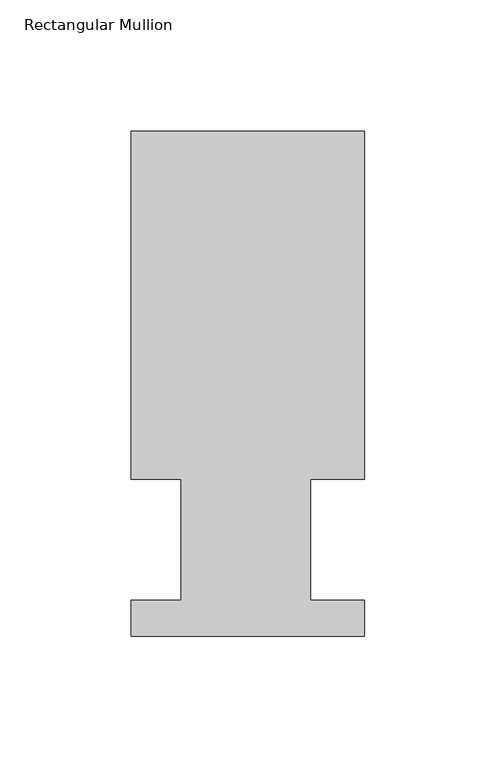
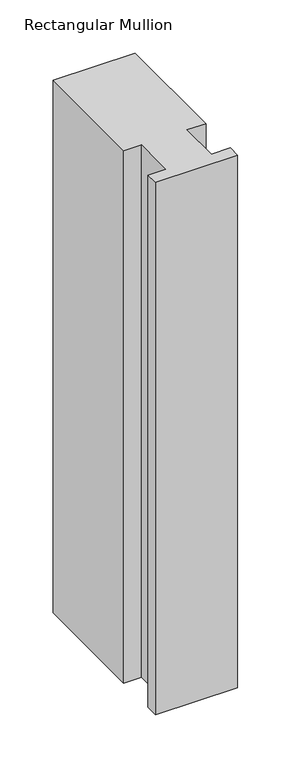
"""IFC4 building model written with IfcOpenShell, lengths in millimetres: member geometry, Rectangular Mullion."""

from ifc_helpers import new_model, si_unit, frame, origin, place, context, project, spatial, polyline, outline, extrude, source, transform, mapped, element, save


def rectangular_mullion_b43c3380(model_context):
    return source(origin(), model_context, "Body", "SweptSolid", [
        extrude(outline(polyline([(-88.9, 192.09385), (0.0, 192.09385), (0.0, 59.53125), (-20.6248, 59.53125), (-20.6248, 13.50645), (0.0, 13.50645), (0.0, -0.26035), (-88.9, -0.26035), (-88.9, 13.50645), (-69.85, 13.50645), (-69.85, 59.53125), (-88.9, 59.53125), (-88.9, 192.09385)])), frame((0.0, 0.0, -609.6), z_axis=(0.0, 0.0, 1.0), x_axis=(1.0, 0.0, 0.0)), (0.0, 0.0, 1.0), 609.6),
    ])


if __name__ == "__main__":
    model = new_model("IFC4")
    model_context = context("Model", 3, world=origin())
    ifc_project = project(units=[si_unit("LENGTHUNIT", "METRE", prefix="MILLI")], contexts=[model_context])
    site = spatial("IfcSite", under=ifc_project)
    building = spatial("IfcBuilding", under=site)
    placement = place(None, origin())
    rectangular_mullion_shape = rectangular_mullion_b43c3380(model_context)
    element("IfcMember", 1, ObjectType="Rectangular Mullion", at=placement, inside=building, context=model_context, shape_type="MappedRepresentation", body=[
        mapped(rectangular_mullion_shape, transform((0.0, 0.0, 0.0), x_axis=(1.0, 0.0, 0.0), y_axis=(0.0, 1.0, 0.0), z_axis=(0.0, 0.0, 1.0))),
    ])
    save(model, "model.ifc")
